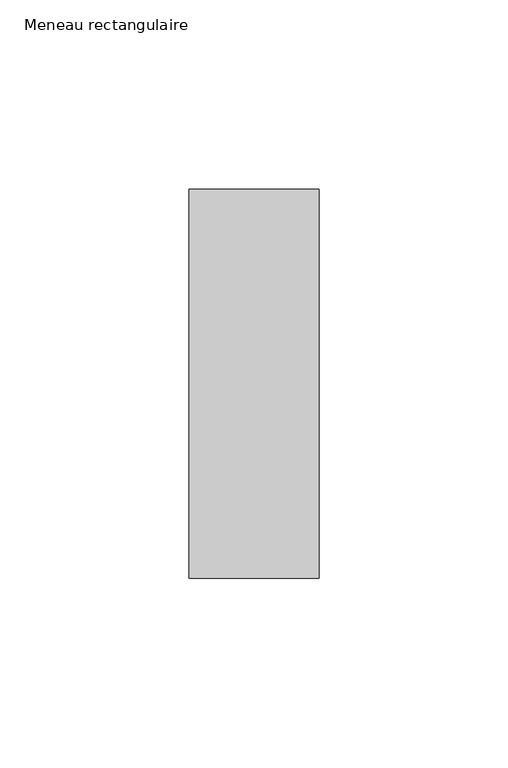
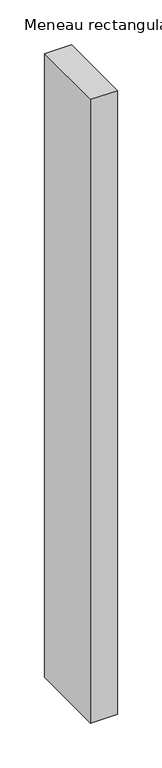
"""IFC4 building model written with IfcOpenShell, lengths in millimetres: member geometry, Meneau rectangulaire."""

from ifc_helpers import new_model, si_unit, frame, origin, place, context, project, spatial, polyline, outline, extrude, source, transform, mapped, element, save


def meneau_rectangulaire_44b838ff(model_context):
    return source(origin(), model_context, "Body", "SweptSolid", [
        extrude(outline(polyline([(-34.5, 51.5), (0.0, 51.5), (0.0, -51.5), (-34.5, -51.5), (-34.5, 51.5)])), frame((0.0, 0.0, -850.7695155), z_axis=(0.0, 0.0, 1.0), x_axis=(1.0, 0.0, 0.0)), (0.0, 0.0, 1.0), 850.7695155),
    ])


if __name__ == "__main__":
    model = new_model("IFC4")
    model_context = context("Model", 3, world=origin())
    ifc_project = project(units=[si_unit("LENGTHUNIT", "METRE", prefix="MILLI")], contexts=[model_context])
    site = spatial("IfcSite", under=ifc_project)
    building = spatial("IfcBuilding", under=site)
    placement = place(None, origin())
    meneau_rectangulaire_shape = meneau_rectangulaire_44b838ff(model_context)
    element("IfcMember", 1, ObjectType="Meneau rectangulaire", at=placement, inside=building, context=model_context, shape_type="MappedRepresentation", body=[
        mapped(meneau_rectangulaire_shape, transform((0.0, 0.0, 0.0), x_axis=(1.0, 0.0, 0.0), y_axis=(0.0, 1.0, 0.0), z_axis=(0.0, 0.0, 1.0))),
    ])
    save(model, "model.ifc")
